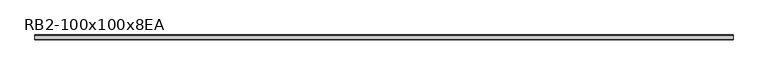
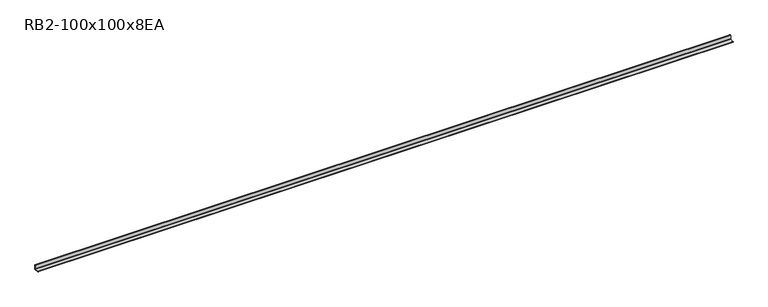
"""IFC4 building model written with IfcOpenShell, lengths in millimetres: member geometry, RB2-100x100x8EA."""

from ifc_helpers import new_model, si_unit, point, frame, frame_2d, origin, place, context, project, spatial, polyline, circle_curve, trimmed, segment, composite_curve, outline, extrude, source, transform, mapped, element, save


def rb2_100x100x8ea_d59458d1(model_context):
    return source(origin(), model_context, "Body", "SweptSolid", [
        extrude(outline(composite_curve([segment(polyline([(27.5, -27.5), (-72.5, -27.5), (-72.5, -24.5)]), True, "CONTINUOUS"), segment(trimmed(circle_curve(frame_2d((-67.5, -24.5)), 5.0), [point((-72.5, -24.5))], [point((-67.5, -19.5))], False, "CARTESIAN"), True, "CONTINUOUS"), segment(polyline([(-67.5, -19.5), (11.5, -19.5)]), True, "CONTINUOUS"), segment(trimmed(circle_curve(frame_2d((11.5, -11.5)), 8.0), [point((11.5, -19.5))], [point((19.5, -11.5))], True, "CARTESIAN"), True, "CONTINUOUS"), segment(polyline([(19.5, -11.5), (19.5, 67.5)]), True, "CONTINUOUS"), segment(trimmed(circle_curve(frame_2d((24.5, 67.5)), 5.0), [point((19.5, 67.5))], [point((24.5, 72.5))], False, "CARTESIAN"), True, "CONTINUOUS"), segment(polyline([(24.5, 72.5), (27.5, 72.5), (27.5, -27.5)]), True, "CONTINUOUS")], self_intersect=False)), frame((-7299.0, 0.0, 0.0), z_axis=(1.0, 0.0, 0.0), x_axis=(0.0, 1.0, 0.0)), (0.0, 0.0, 1.0), 14576.0),
    ])


if __name__ == "__main__":
    model = new_model("IFC4")
    model_context = context("Model", 3, world=origin())
    ifc_project = project(units=[si_unit("LENGTHUNIT", "METRE", prefix="MILLI")], contexts=[model_context])
    site = spatial("IfcSite", under=ifc_project)
    building = spatial("IfcBuilding", under=site)
    placement = place(None, origin())
    rb2_100x100x8ea_shape = rb2_100x100x8ea_d59458d1(model_context)
    element("IfcMember", 1, ObjectType="RB2-100x100x8EA", at=placement, inside=building, context=model_context, shape_type="MappedRepresentation", body=[
        mapped(rb2_100x100x8ea_shape, transform((0.0, 0.0, 0.0), x_axis=(1.0, 0.0, 0.0), y_axis=(0.0, 1.0, 0.0), z_axis=(0.0, 0.0, 1.0))),
    ])
    save(model, "model.ifc")
